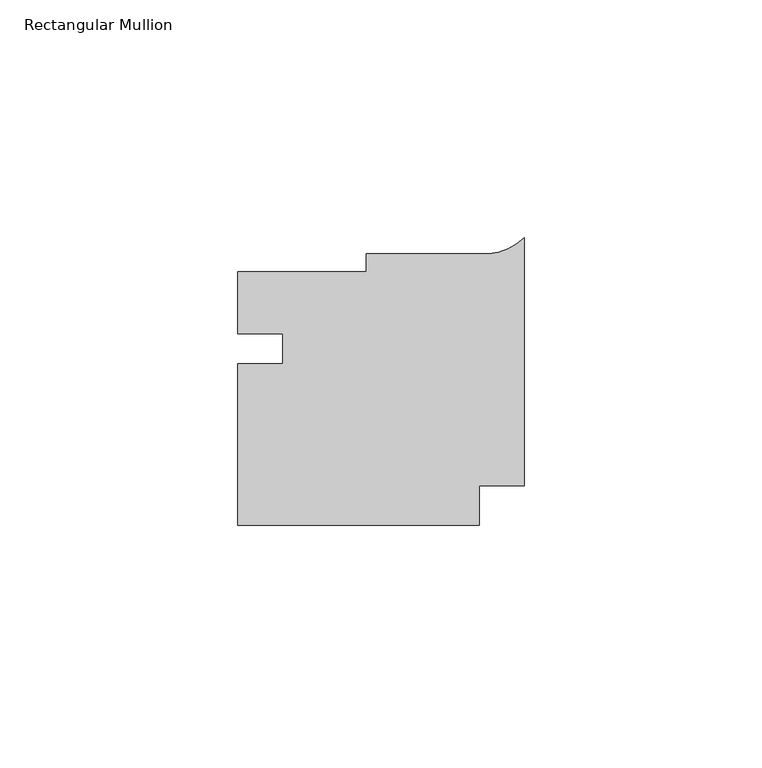
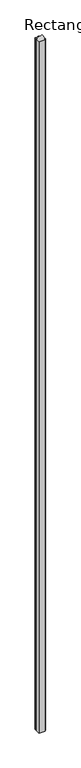
"""IFC4 building model written with IfcOpenShell, lengths in millimetres: member geometry, Rectangular Mullion."""

import ifcopenshell
import ifcopenshell.guid

model = None  # the IFC model being written
_history = None  # IfcOwnerHistory: only IFC2X3 demands one
_inside = {}  # id of a spatial element -> (the spatial element, [elements in it])
_under = {}  # id of a project, library or spatial element -> (it, [spatial elements below it])
_declared = {}  # id of a project -> (the project, [libraries it declares])
_typed = {}  # id of a type object -> (the type object, [elements of that type])
_made_of = {}  # id of a material, layer set ... -> (it, [elements and type objects made of it])


def new_model(schema):
    """Start an empty IFC model of exactly this schema.

    Asked for "IFC4X3", IfcOpenShell would pick the latest addendum, in which some entities
    have other attributes; the version numbers below select the first issue.
    IFC2X3 requires an IfcOwnerHistory on every rooted entity: one is made here for all.
    """
    global model, _history
    if schema == "IFC4X3":
        model = ifcopenshell.file(schema_version=(4, 3, 0, 0))
    else:
        model = ifcopenshell.file(schema=schema)
    _inside.clear()
    _under.clear()
    _declared.clear()
    _typed.clear()
    _made_of.clear()
    _history = None
    if model.schema == "IFC2X3":
        org = make("IfcOrganization", Name="unknown")
        user = make(
            "IfcPersonAndOrganization",
            ThePerson=make("IfcPerson", FamilyName="unknown"),
            TheOrganization=org,
        )
        app = make(
            "IfcApplication",
            ApplicationDeveloper=org,
            Version="unknown",
            ApplicationFullName="unknown",
            ApplicationIdentifier="unknown",
        )
        _history = make(
            "IfcOwnerHistory",
            OwningUser=user,
            OwningApplication=app,
            ChangeAction="ADDED",
            CreationDate=0,
        )
    return model


def make(cls, **values):
    """One entity of the class cls with the attributes given. An attribute that is None is left unset."""
    return model.create_entity(
        cls, **{name: value for name, value in values.items() if value is not None}
    )


def rooted(cls, **values):
    """An entity with a GlobalId (a new one), such as an element, a storey or a relation."""
    return make(cls, GlobalId=ifcopenshell.guid.new(), OwnerHistory=_history, **values)


def si_unit(unit_type, name, prefix=None):
    """IfcSIUnit, for example si_unit("LENGTHUNIT", "METRE", prefix="MILLI")."""
    return make("IfcSIUnit", UnitType=unit_type, Prefix=prefix, Name=name)


def assignment(units):
    """IfcUnitAssignment: the units of a project."""
    return None if units is None else make("IfcUnitAssignment", Units=units)


def point(xyz):
    """IfcCartesianPoint."""
    return None if xyz is None else make("IfcCartesianPoint", Coordinates=xyz)


def direction(xyz):
    """IfcDirection."""
    return None if xyz is None else make("IfcDirection", DirectionRatios=xyz)


def frame(location, z_axis=None, x_axis=None):
    """IfcAxis2Placement3D, a coordinate frame: its origin and axes. An axis left out is left unset."""
    return make(
        "IfcAxis2Placement3D",
        Location=point(location),
        Axis=direction(z_axis),
        RefDirection=direction(x_axis),
    )


def frame_2d(location, x_axis=None):
    """IfcAxis2Placement2D, a coordinate frame in the plane: its origin and x axis."""
    return make(
        "IfcAxis2Placement2D", Location=point(location), RefDirection=direction(x_axis)
    )


def origin():
    """The frame at (0, 0, 0) with its axes left unset."""
    return frame((0.0, 0.0, 0.0))


def place(relative_to, where):
    """IfcLocalPlacement: puts the frame where relative to a parent placement (None: the world)."""
    return make(
        "IfcLocalPlacement", PlacementRelTo=relative_to, RelativePlacement=where
    )


def context(
    kind, dimensions, precision=None, world=None, true_north=None, identifier=None
):
    """IfcGeometricRepresentationContext, for example the 3D "Model" context."""
    return make(
        "IfcGeometricRepresentationContext",
        ContextIdentifier=identifier,
        ContextType=kind,
        CoordinateSpaceDimension=dimensions,
        Precision=precision,
        WorldCoordinateSystem=world,
        TrueNorth=true_north,
    )


def project(units=None, contexts=None):
    """IfcProject with its units and contexts."""
    return rooted(
        "IfcProject",
        Name="project",
        RepresentationContexts=contexts,
        UnitsInContext=assignment(units),
    )


def spatial(cls, under=None, at=None, **own):
    """A site, building, storey or space (cls), placed at a placement, below another one or the project."""
    s = rooted(cls, ObjectPlacement=at, **own)
    if under is not None:
        _under.setdefault(under.id(), (under, []))[1].append(s)
    return s


def polyline(points):
    """IfcPolyline through the points."""
    return make("IfcPolyline", Points=[point(p) for p in points])


def circle_curve(where, radius):
    """IfcCircle in the frame where."""
    return make("IfcCircle", Position=where, Radius=radius)


def trimmed(basis, trim1, trim2, sense, master):
    """IfcTrimmedCurve: the piece of a basis curve between two trims."""
    return make(
        "IfcTrimmedCurve",
        BasisCurve=basis,
        Trim1=trim1,
        Trim2=trim2,
        SenseAgreement=sense,
        MasterRepresentation=master,
    )


def segment(curve, same_sense, transition):
    """IfcCompositeCurveSegment."""
    return make(
        "IfcCompositeCurveSegment",
        Transition=transition,
        SameSense=same_sense,
        ParentCurve=curve,
    )


def composite_curve(segments, self_intersect=None):
    """IfcCompositeCurve: segments joined end to end."""
    return make("IfcCompositeCurve", Segments=segments, SelfIntersect=self_intersect)


def outline(outer, holes=None, kind="AREA"):
    """IfcArbitraryClosedProfileDef: a profile drawn as a closed curve; with holes, ...WithVoids."""
    if holes is None:
        return make("IfcArbitraryClosedProfileDef", ProfileType=kind, OuterCurve=outer)
    return make(
        "IfcArbitraryProfileDefWithVoids",
        ProfileType=kind,
        OuterCurve=outer,
        InnerCurves=holes,
    )


def extrude(swept, where, along, depth):
    """IfcExtrudedAreaSolid: the profile swept, set in the frame where, extruded along a direction by depth."""
    return make(
        "IfcExtrudedAreaSolid",
        SweptArea=swept,
        Position=where,
        ExtrudedDirection=direction(along),
        Depth=depth,
    )


def shape(context_of_items, identifier, shape_type, items):
    """IfcShapeRepresentation: the items that make up one representation, for example the "Body"."""
    return make(
        "IfcShapeRepresentation",
        ContextOfItems=context_of_items,
        RepresentationIdentifier=identifier,
        RepresentationType=shape_type,
        Items=items,
    )


def source(mapping_origin, context_of_items, identifier, shape_type, items):
    """IfcRepresentationMap: a shape defined once, which mapped items show again and again."""
    return make(
        "IfcRepresentationMap",
        MappingOrigin=mapping_origin,
        MappedRepresentation=shape(context_of_items, identifier, shape_type, items),
    )


def transform(
    local_origin,
    x_axis=None,
    y_axis=None,
    z_axis=None,
    scale=None,
    scale2=None,
    scale3=None,
    uniform=True,
):
    """IfcCartesianTransformationOperator3D, or its non-uniform kind. x_axis, y_axis, z_axis: its Axis1, 2, 3."""
    if uniform:
        return make(
            "IfcCartesianTransformationOperator3D",
            Axis1=direction(x_axis),
            Axis2=direction(y_axis),
            LocalOrigin=point(local_origin),
            Scale=scale,
            Axis3=direction(z_axis),
        )
    return make(
        "IfcCartesianTransformationOperator3DnonUniform",
        Axis1=direction(x_axis),
        Axis2=direction(y_axis),
        LocalOrigin=point(local_origin),
        Scale=scale,
        Axis3=direction(z_axis),
        Scale2=scale2,
        Scale3=scale3,
    )


def mapped(mapping_source, mapping_target):
    """IfcMappedItem: shows the shape of a source again, moved by a transform."""
    return make(
        "IfcMappedItem", MappingSource=mapping_source, MappingTarget=mapping_target
    )


def made_of(thing, what):
    """Note that an element or type object is made of a material, layer set ...; save() writes the relation."""
    if what is not None:
        _made_of.setdefault(what.id(), (what, []))[1].append(thing)
    return thing


def element(
    cls,
    number,
    at=None,
    inside=None,
    cuts=None,
    type_object=None,
    material=None,
    context=None,
    identifier="Body",
    shape_type=None,
    held_by="IfcProductDefinitionShape",
    body=None,
    shapes=None,
    **own,
):
    """One element of the class cls, such as IfcWall. Its Tag is "e" and its number.

    at: its placement. inside: the storey or other place that contains it. cuts: it is an
    opening in that element (IfcRelVoidsElement). A single representation is given by context,
    identifier, shape_type and body (its items); several are given by shapes. held_by: the class
    of the entity that holds the representations. save() writes the other relations.
    """
    e = rooted(cls, Tag="e%d" % number, ObjectPlacement=at, **own)
    if body is not None:
        shapes = [shape(context, identifier, shape_type, body)]
    if shapes is not None:
        e.Representation = make(held_by, Representations=shapes)
    if inside is not None:
        _inside.setdefault(inside.id(), (inside, []))[1].append(e)
    if cuts is not None:
        rooted(
            "IfcRelVoidsElement", RelatingBuildingElement=cuts, RelatedOpeningElement=e
        )
    if type_object is not None:
        _typed.setdefault(type_object.id(), (type_object, []))[1].append(e)
    return made_of(e, material)


def aggregate(whole, parts):
    """IfcRelAggregates: a whole, such as a stair, and the parts it consists of."""
    return rooted("IfcRelAggregates", RelatingObject=whole, RelatedObjects=parts)


def save(model, path):
    """Write the relations noted so far, then the file.

    IfcRelAggregates (storeys below a building ...), IfcRelContainedInSpatialStructure (elements
    in a storey), IfcRelDefinesByType, IfcRelAssociatesMaterial and IfcRelDeclares: one each for
    every whole, place, type object, material and project.
    """
    for whole, parts in _under.values():
        aggregate(whole, parts)
    for where, things in _inside.values():
        rooted(
            "IfcRelContainedInSpatialStructure",
            RelatedElements=things,
            RelatingStructure=where,
        )
    for kind, things in _typed.values():
        rooted("IfcRelDefinesByType", RelatedObjects=things, RelatingType=kind)
    for what, things in _made_of.values():
        rooted("IfcRelAssociatesMaterial", RelatedObjects=things, RelatingMaterial=what)
    for by, libraries in _declared.values():
        rooted("IfcRelDeclares", RelatingContext=by, RelatedDefinitions=libraries)
    model.write(path)


def rectangular_mullion_22a14ff7(model_context):
    return source(origin(), model_context, "Body", "SweptSolid", [
        extrude(outline(composite_curve([segment(polyline([(-9.525, -19.5874442), (-9.525, -27.9610682), (-60.2996, -27.9610682), (-60.2996, 6.0003946), (-50.7746, 6.0003946), (-50.7746, 12.3301626), (-60.2996, 12.3301626), (-60.2996, 25.4043318), (-33.3006192, 25.4043318), (-33.3006192, 29.1889318), (-9.525, 29.1889318)]), True, "CONTINUOUS"), segment(trimmed(circle_curve(frame_2d((-8.4008069, 41.1585118)), 12.0222566), [point((-9.525, 29.1889318))], [point((0.0, 32.558448))], True, "CARTESIAN"), True, "CONTINUOUS"), segment(polyline([(0.0, 32.558448), (0.0, -19.5874442), (-9.525, -19.5874442)]), True, "CONTINUOUS")], self_intersect=False)), frame((0.0, 0.0, -6000.75), z_axis=(0.0, 0.0, 1.0), x_axis=(1.0, 0.0, 0.0)), (0.0, 0.0, 1.0), 6000.75),
    ])


if __name__ == "__main__":
    model = new_model("IFC4")
    model_context = context("Model", 3, world=origin())
    ifc_project = project(units=[si_unit("LENGTHUNIT", "METRE", prefix="MILLI")], contexts=[model_context])
    site = spatial("IfcSite", under=ifc_project)
    building = spatial("IfcBuilding", under=site)
    placement = place(None, origin())
    rectangular_mullion_shape = rectangular_mullion_22a14ff7(model_context)
    element("IfcMember", 1, ObjectType="Rectangular Mullion", at=placement, inside=building, context=model_context, shape_type="MappedRepresentation", body=[
        mapped(rectangular_mullion_shape, transform((0.0, 0.0, 0.0), x_axis=(1.0, 0.0, 0.0), y_axis=(0.0, 1.0, 0.0), z_axis=(0.0, 0.0, 1.0))),
    ])
    save(model, "model.ifc")
